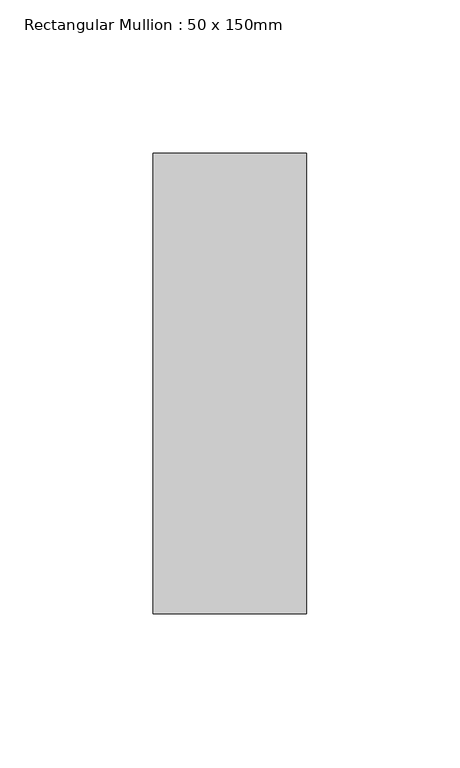
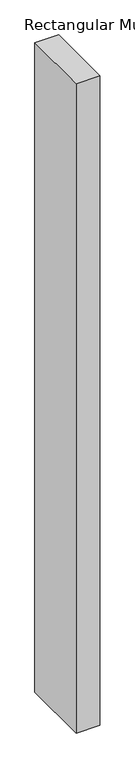
"""IFC4 building model written with IfcOpenShell, lengths in millimetres: member geometry, Rectangular Mullion : 50 x 150mm."""

from ifc_helpers import new_model, si_unit, frame, origin, place, context, project, spatial, polyline, outline, extrude, source, transform, mapped, element, save


def rectangular_mullion_50_x_150mm_ccd9913c(model_context):
    return source(origin(), model_context, "Body", "SweptSolid", [
        extrude(outline(polyline([(0.0, 75.0), (0.0, -75.0), (-50.0, -75.0), (-50.0, 75.0), (0.0, 75.0)])), frame((0.0, 0.0, -1443.8936749), z_axis=(0.0, 0.0, 1.0), x_axis=(1.0, 0.0, 0.0)), (0.0, 0.0, 1.0), 1443.8936749),
    ])


if __name__ == "__main__":
    model = new_model("IFC4")
    model_context = context("Model", 3, world=origin())
    ifc_project = project(units=[si_unit("LENGTHUNIT", "METRE", prefix="MILLI")], contexts=[model_context])
    site = spatial("IfcSite", under=ifc_project)
    building = spatial("IfcBuilding", under=site)
    placement = place(None, origin())
    rectangular_mullion_50_x_150mm_shape = rectangular_mullion_50_x_150mm_ccd9913c(model_context)
    element("IfcMember", 1, ObjectType="Rectangular Mullion : 50 x 150mm", at=placement, inside=building, context=model_context, shape_type="MappedRepresentation", body=[
        mapped(rectangular_mullion_50_x_150mm_shape, transform((0.0, 0.0, 0.0), x_axis=(1.0, 0.0, 0.0), y_axis=(0.0, 1.0, 0.0), z_axis=(0.0, 0.0, 1.0))),
    ])
    save(model, "model.ifc")
